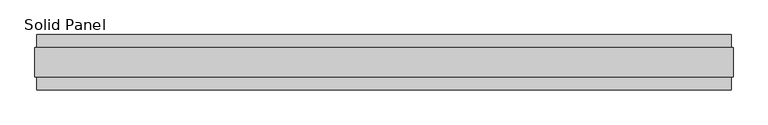
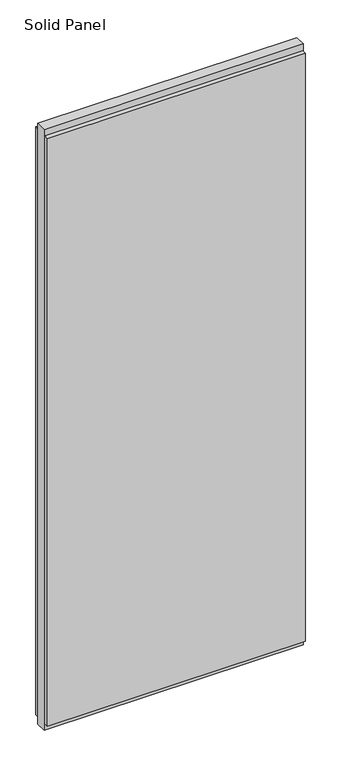
"""IFC4 building model written with IfcOpenShell, lengths in millimetres: plate geometry, Solid Panel."""

import ifcopenshell
import ifcopenshell.guid

model = None  # the IFC model being written
_history = None  # IfcOwnerHistory: only IFC2X3 demands one
_inside = {}  # id of a spatial element -> (the spatial element, [elements in it])
_under = {}  # id of a project, library or spatial element -> (it, [spatial elements below it])
_declared = {}  # id of a project -> (the project, [libraries it declares])
_typed = {}  # id of a type object -> (the type object, [elements of that type])
_made_of = {}  # id of a material, layer set ... -> (it, [elements and type objects made of it])


def new_model(schema):
    """Start an empty IFC model of exactly this schema.

    Asked for "IFC4X3", IfcOpenShell would pick the latest addendum, in which some entities
    have other attributes; the version numbers below select the first issue.
    IFC2X3 requires an IfcOwnerHistory on every rooted entity: one is made here for all.
    """
    global model, _history
    if schema == "IFC4X3":
        model = ifcopenshell.file(schema_version=(4, 3, 0, 0))
    else:
        model = ifcopenshell.file(schema=schema)
    _inside.clear()
    _under.clear()
    _declared.clear()
    _typed.clear()
    _made_of.clear()
    _history = None
    if model.schema == "IFC2X3":
        org = make("IfcOrganization", Name="unknown")
        user = make(
            "IfcPersonAndOrganization",
            ThePerson=make("IfcPerson", FamilyName="unknown"),
            TheOrganization=org,
        )
        app = make(
            "IfcApplication",
            ApplicationDeveloper=org,
            Version="unknown",
            ApplicationFullName="unknown",
            ApplicationIdentifier="unknown",
        )
        _history = make(
            "IfcOwnerHistory",
            OwningUser=user,
            OwningApplication=app,
            ChangeAction="ADDED",
            CreationDate=0,
        )
    return model


def make(cls, **values):
    """One entity of the class cls with the attributes given. An attribute that is None is left unset."""
    return model.create_entity(
        cls, **{name: value for name, value in values.items() if value is not None}
    )


def rooted(cls, **values):
    """An entity with a GlobalId (a new one), such as an element, a storey or a relation."""
    return make(cls, GlobalId=ifcopenshell.guid.new(), OwnerHistory=_history, **values)


def si_unit(unit_type, name, prefix=None):
    """IfcSIUnit, for example si_unit("LENGTHUNIT", "METRE", prefix="MILLI")."""
    return make("IfcSIUnit", UnitType=unit_type, Prefix=prefix, Name=name)


def assignment(units):
    """IfcUnitAssignment: the units of a project."""
    return None if units is None else make("IfcUnitAssignment", Units=units)


def point(xyz):
    """IfcCartesianPoint."""
    return None if xyz is None else make("IfcCartesianPoint", Coordinates=xyz)


def direction(xyz):
    """IfcDirection."""
    return None if xyz is None else make("IfcDirection", DirectionRatios=xyz)


def frame(location, z_axis=None, x_axis=None):
    """IfcAxis2Placement3D, a coordinate frame: its origin and axes. An axis left out is left unset."""
    return make(
        "IfcAxis2Placement3D",
        Location=point(location),
        Axis=direction(z_axis),
        RefDirection=direction(x_axis),
    )


def origin():
    """The frame at (0, 0, 0) with its axes left unset."""
    return frame((0.0, 0.0, 0.0))


def origin_with_axes():
    """The frame at (0, 0, 0) with the z axis (0, 0, 1) and the x axis (1, 0, 0) written out."""
    return frame((0.0, 0.0, 0.0), z_axis=(0.0, 0.0, 1.0), x_axis=(1.0, 0.0, 0.0))


def place(relative_to, where):
    """IfcLocalPlacement: puts the frame where relative to a parent placement (None: the world)."""
    return make(
        "IfcLocalPlacement", PlacementRelTo=relative_to, RelativePlacement=where
    )


def context(
    kind, dimensions, precision=None, world=None, true_north=None, identifier=None
):
    """IfcGeometricRepresentationContext, for example the 3D "Model" context."""
    return make(
        "IfcGeometricRepresentationContext",
        ContextIdentifier=identifier,
        ContextType=kind,
        CoordinateSpaceDimension=dimensions,
        Precision=precision,
        WorldCoordinateSystem=world,
        TrueNorth=true_north,
    )


def project(units=None, contexts=None):
    """IfcProject with its units and contexts."""
    return rooted(
        "IfcProject",
        Name="project",
        RepresentationContexts=contexts,
        UnitsInContext=assignment(units),
    )


def spatial(cls, under=None, at=None, **own):
    """A site, building, storey or space (cls), placed at a placement, below another one or the project."""
    s = rooted(cls, ObjectPlacement=at, **own)
    if under is not None:
        _under.setdefault(under.id(), (under, []))[1].append(s)
    return s


def polyline(points):
    """IfcPolyline through the points."""
    return make("IfcPolyline", Points=[point(p) for p in points])


def outline(outer, holes=None, kind="AREA"):
    """IfcArbitraryClosedProfileDef: a profile drawn as a closed curve; with holes, ...WithVoids."""
    if holes is None:
        return make("IfcArbitraryClosedProfileDef", ProfileType=kind, OuterCurve=outer)
    return make(
        "IfcArbitraryProfileDefWithVoids",
        ProfileType=kind,
        OuterCurve=outer,
        InnerCurves=holes,
    )


def extrude(swept, where, along, depth):
    """IfcExtrudedAreaSolid: the profile swept, set in the frame where, extruded along a direction by depth."""
    return make(
        "IfcExtrudedAreaSolid",
        SweptArea=swept,
        Position=where,
        ExtrudedDirection=direction(along),
        Depth=depth,
    )


def shape(context_of_items, identifier, shape_type, items):
    """IfcShapeRepresentation: the items that make up one representation, for example the "Body"."""
    return make(
        "IfcShapeRepresentation",
        ContextOfItems=context_of_items,
        RepresentationIdentifier=identifier,
        RepresentationType=shape_type,
        Items=items,
    )


def source(mapping_origin, context_of_items, identifier, shape_type, items):
    """IfcRepresentationMap: a shape defined once, which mapped items show again and again."""
    return make(
        "IfcRepresentationMap",
        MappingOrigin=mapping_origin,
        MappedRepresentation=shape(context_of_items, identifier, shape_type, items),
    )


def transform(
    local_origin,
    x_axis=None,
    y_axis=None,
    z_axis=None,
    scale=None,
    scale2=None,
    scale3=None,
    uniform=True,
):
    """IfcCartesianTransformationOperator3D, or its non-uniform kind. x_axis, y_axis, z_axis: its Axis1, 2, 3."""
    if uniform:
        return make(
            "IfcCartesianTransformationOperator3D",
            Axis1=direction(x_axis),
            Axis2=direction(y_axis),
            LocalOrigin=point(local_origin),
            Scale=scale,
            Axis3=direction(z_axis),
        )
    return make(
        "IfcCartesianTransformationOperator3DnonUniform",
        Axis1=direction(x_axis),
        Axis2=direction(y_axis),
        LocalOrigin=point(local_origin),
        Scale=scale,
        Axis3=direction(z_axis),
        Scale2=scale2,
        Scale3=scale3,
    )


def mapped(mapping_source, mapping_target):
    """IfcMappedItem: shows the shape of a source again, moved by a transform."""
    return make(
        "IfcMappedItem", MappingSource=mapping_source, MappingTarget=mapping_target
    )


def made_of(thing, what):
    """Note that an element or type object is made of a material, layer set ...; save() writes the relation."""
    if what is not None:
        _made_of.setdefault(what.id(), (what, []))[1].append(thing)
    return thing


def element(
    cls,
    number,
    at=None,
    inside=None,
    cuts=None,
    type_object=None,
    material=None,
    context=None,
    identifier="Body",
    shape_type=None,
    held_by="IfcProductDefinitionShape",
    body=None,
    shapes=None,
    **own,
):
    """One element of the class cls, such as IfcWall. Its Tag is "e" and its number.

    at: its placement. inside: the storey or other place that contains it. cuts: it is an
    opening in that element (IfcRelVoidsElement). A single representation is given by context,
    identifier, shape_type and body (its items); several are given by shapes. held_by: the class
    of the entity that holds the representations. save() writes the other relations.
    """
    e = rooted(cls, Tag="e%d" % number, ObjectPlacement=at, **own)
    if body is not None:
        shapes = [shape(context, identifier, shape_type, body)]
    if shapes is not None:
        e.Representation = make(held_by, Representations=shapes)
    if inside is not None:
        _inside.setdefault(inside.id(), (inside, []))[1].append(e)
    if cuts is not None:
        rooted(
            "IfcRelVoidsElement", RelatingBuildingElement=cuts, RelatedOpeningElement=e
        )
    if type_object is not None:
        _typed.setdefault(type_object.id(), (type_object, []))[1].append(e)
    return made_of(e, material)


def aggregate(whole, parts):
    """IfcRelAggregates: a whole, such as a stair, and the parts it consists of."""
    return rooted("IfcRelAggregates", RelatingObject=whole, RelatedObjects=parts)


def save(model, path):
    """Write the relations noted so far, then the file.

    IfcRelAggregates (storeys below a building ...), IfcRelContainedInSpatialStructure (elements
    in a storey), IfcRelDefinesByType, IfcRelAssociatesMaterial and IfcRelDeclares: one each for
    every whole, place, type object, material and project.
    """
    for whole, parts in _under.values():
        aggregate(whole, parts)
    for where, things in _inside.values():
        rooted(
            "IfcRelContainedInSpatialStructure",
            RelatedElements=things,
            RelatingStructure=where,
        )
    for kind, things in _typed.values():
        rooted("IfcRelDefinesByType", RelatedObjects=things, RelatingType=kind)
    for what, things in _made_of.values():
        rooted("IfcRelAssociatesMaterial", RelatedObjects=things, RelatingMaterial=what)
    for by, libraries in _declared.values():
        rooted("IfcRelDeclares", RelatingContext=by, RelatedDefinitions=libraries)
    model.write(path)


def solid_panel_5f487d89(model_context):
    return source(origin(), model_context, "Body", "SweptSolid", [
        extrude(outline(polyline([(608.574602, -48.4531867), (-608.574602, -48.4531867), (-608.574602, -25.9961), (608.574602, -25.9961), (608.574602, -48.4531867)])), frame((0.0, 0.0, 32.004), z_axis=(0.0, 0.0, 1.0), x_axis=(1.0, 0.0, 0.0)), (0.0, 0.0, 1.0), 2933.192),
        extrude(outline(polyline([(608.574602, 25.9977), (-608.574602, 25.9977), (-608.574602, 48.4547867), (608.574602, 48.4547867), (608.574602, 25.9977)])), frame((0.0, 0.0, 32.004), z_axis=(0.0, 0.0, 1.0), x_axis=(1.0, 0.0, 0.0)), (0.0, 0.0, 1.0), 2933.192),
        extrude(outline(polyline([(611.571802, -25.9961), (-611.571802, -25.9961), (-611.571802, 25.9977), (611.571802, 25.9977), (611.571802, -25.9961)])), origin_with_axes(), (0.0, 0.0, 1.0), 2997.2),
    ])


if __name__ == "__main__":
    model = new_model("IFC4")
    model_context = context("Model", 3, world=origin())
    ifc_project = project(units=[si_unit("LENGTHUNIT", "METRE", prefix="MILLI")], contexts=[model_context])
    site = spatial("IfcSite", under=ifc_project)
    building = spatial("IfcBuilding", under=site)
    placement = place(None, origin())
    solid_panel_shape = solid_panel_5f487d89(model_context)
    element("IfcPlate", 1, ObjectType="Solid Panel", at=placement, inside=building, context=model_context, shape_type="MappedRepresentation", body=[
        mapped(solid_panel_shape, transform((0.0, 0.0, 0.0), x_axis=(1.0, 0.0, 0.0), y_axis=(0.0, 1.0, 0.0), z_axis=(0.0, 0.0, 1.0))),
    ])
    save(model, "model.ifc")
